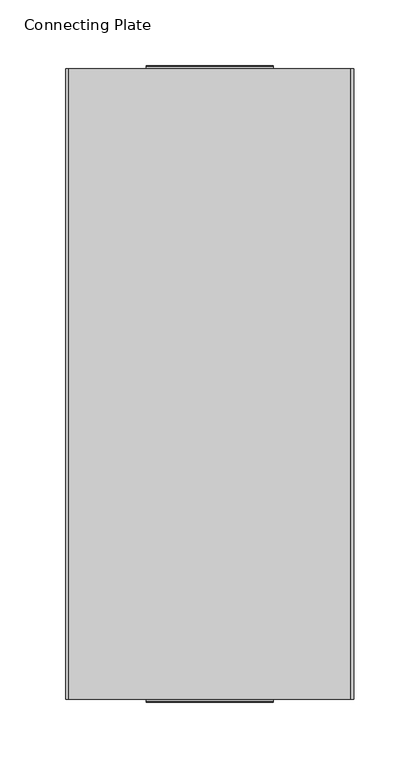
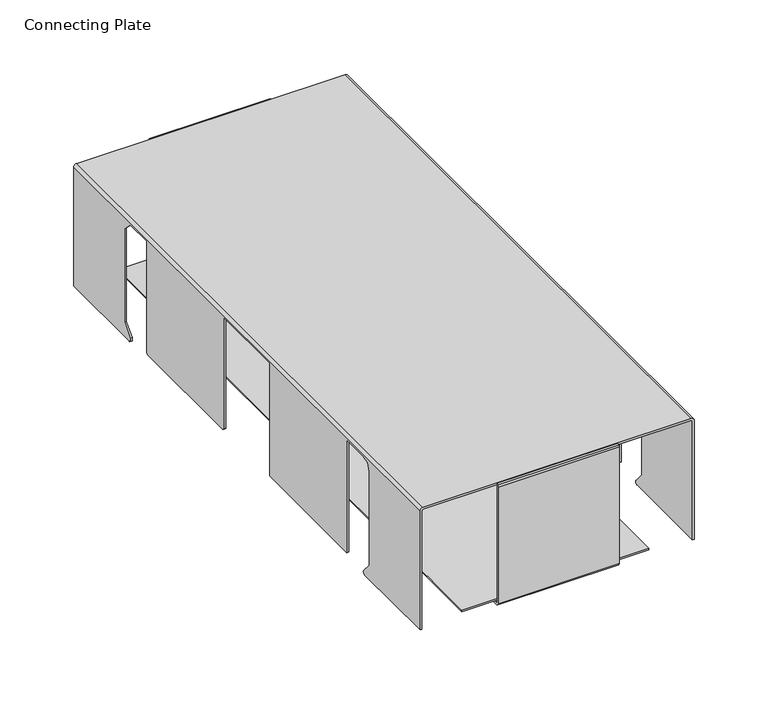
"""IFC4 building model written with IfcOpenShell, lengths in millimetres: furniture geometry, Connecting Plate."""

import ifcopenshell
import ifcopenshell.guid

model = None  # the IFC model being written
_history = None  # IfcOwnerHistory: only IFC2X3 demands one
_inside = {}  # id of a spatial element -> (the spatial element, [elements in it])
_under = {}  # id of a project, library or spatial element -> (it, [spatial elements below it])
_declared = {}  # id of a project -> (the project, [libraries it declares])
_typed = {}  # id of a type object -> (the type object, [elements of that type])
_made_of = {}  # id of a material, layer set ... -> (it, [elements and type objects made of it])


def new_model(schema):
    """Start an empty IFC model of exactly this schema.

    Asked for "IFC4X3", IfcOpenShell would pick the latest addendum, in which some entities
    have other attributes; the version numbers below select the first issue.
    IFC2X3 requires an IfcOwnerHistory on every rooted entity: one is made here for all.
    """
    global model, _history
    if schema == "IFC4X3":
        model = ifcopenshell.file(schema_version=(4, 3, 0, 0))
    else:
        model = ifcopenshell.file(schema=schema)
    _inside.clear()
    _under.clear()
    _declared.clear()
    _typed.clear()
    _made_of.clear()
    _history = None
    if model.schema == "IFC2X3":
        org = make("IfcOrganization", Name="unknown")
        user = make(
            "IfcPersonAndOrganization",
            ThePerson=make("IfcPerson", FamilyName="unknown"),
            TheOrganization=org,
        )
        app = make(
            "IfcApplication",
            ApplicationDeveloper=org,
            Version="unknown",
            ApplicationFullName="unknown",
            ApplicationIdentifier="unknown",
        )
        _history = make(
            "IfcOwnerHistory",
            OwningUser=user,
            OwningApplication=app,
            ChangeAction="ADDED",
            CreationDate=0,
        )
    return model


def make(cls, **values):
    """One entity of the class cls with the attributes given. An attribute that is None is left unset."""
    return model.create_entity(
        cls, **{name: value for name, value in values.items() if value is not None}
    )


def rooted(cls, **values):
    """An entity with a GlobalId (a new one), such as an element, a storey or a relation."""
    return make(cls, GlobalId=ifcopenshell.guid.new(), OwnerHistory=_history, **values)


def si_unit(unit_type, name, prefix=None):
    """IfcSIUnit, for example si_unit("LENGTHUNIT", "METRE", prefix="MILLI")."""
    return make("IfcSIUnit", UnitType=unit_type, Prefix=prefix, Name=name)


def assignment(units):
    """IfcUnitAssignment: the units of a project."""
    return None if units is None else make("IfcUnitAssignment", Units=units)


def point(xyz):
    """IfcCartesianPoint."""
    return None if xyz is None else make("IfcCartesianPoint", Coordinates=xyz)


def direction(xyz):
    """IfcDirection."""
    return None if xyz is None else make("IfcDirection", DirectionRatios=xyz)


def frame(location, z_axis=None, x_axis=None):
    """IfcAxis2Placement3D, a coordinate frame: its origin and axes. An axis left out is left unset."""
    return make(
        "IfcAxis2Placement3D",
        Location=point(location),
        Axis=direction(z_axis),
        RefDirection=direction(x_axis),
    )


def origin():
    """The frame at (0, 0, 0) with its axes left unset."""
    return frame((0.0, 0.0, 0.0))


def place(relative_to, where):
    """IfcLocalPlacement: puts the frame where relative to a parent placement (None: the world)."""
    return make(
        "IfcLocalPlacement", PlacementRelTo=relative_to, RelativePlacement=where
    )


def context(
    kind, dimensions, precision=None, world=None, true_north=None, identifier=None
):
    """IfcGeometricRepresentationContext, for example the 3D "Model" context."""
    return make(
        "IfcGeometricRepresentationContext",
        ContextIdentifier=identifier,
        ContextType=kind,
        CoordinateSpaceDimension=dimensions,
        Precision=precision,
        WorldCoordinateSystem=world,
        TrueNorth=true_north,
    )


def project(units=None, contexts=None):
    """IfcProject with its units and contexts."""
    return rooted(
        "IfcProject",
        Name="project",
        RepresentationContexts=contexts,
        UnitsInContext=assignment(units),
    )


def spatial(cls, under=None, at=None, **own):
    """A site, building, storey or space (cls), placed at a placement, below another one or the project."""
    s = rooted(cls, ObjectPlacement=at, **own)
    if under is not None:
        _under.setdefault(under.id(), (under, []))[1].append(s)
    return s


def polyline(points):
    """IfcPolyline through the points."""
    return make("IfcPolyline", Points=[point(p) for p in points])


def circle_curve(where, radius):
    """IfcCircle in the frame where."""
    return make("IfcCircle", Position=where, Radius=radius)


def outline(outer, holes=None, kind="AREA"):
    """IfcArbitraryClosedProfileDef: a profile drawn as a closed curve; with holes, ...WithVoids."""
    if holes is None:
        return make("IfcArbitraryClosedProfileDef", ProfileType=kind, OuterCurve=outer)
    return make(
        "IfcArbitraryProfileDefWithVoids",
        ProfileType=kind,
        OuterCurve=outer,
        InnerCurves=holes,
    )


def extrude(swept, where, along, depth):
    """IfcExtrudedAreaSolid: the profile swept, set in the frame where, extruded along a direction by depth."""
    return make(
        "IfcExtrudedAreaSolid",
        SweptArea=swept,
        Position=where,
        ExtrudedDirection=direction(along),
        Depth=depth,
    )


def shape(context_of_items, identifier, shape_type, items):
    """IfcShapeRepresentation: the items that make up one representation, for example the "Body"."""
    return make(
        "IfcShapeRepresentation",
        ContextOfItems=context_of_items,
        RepresentationIdentifier=identifier,
        RepresentationType=shape_type,
        Items=items,
    )


def source(mapping_origin, context_of_items, identifier, shape_type, items):
    """IfcRepresentationMap: a shape defined once, which mapped items show again and again."""
    return make(
        "IfcRepresentationMap",
        MappingOrigin=mapping_origin,
        MappedRepresentation=shape(context_of_items, identifier, shape_type, items),
    )


def transform(
    local_origin,
    x_axis=None,
    y_axis=None,
    z_axis=None,
    scale=None,
    scale2=None,
    scale3=None,
    uniform=True,
):
    """IfcCartesianTransformationOperator3D, or its non-uniform kind. x_axis, y_axis, z_axis: its Axis1, 2, 3."""
    if uniform:
        return make(
            "IfcCartesianTransformationOperator3D",
            Axis1=direction(x_axis),
            Axis2=direction(y_axis),
            LocalOrigin=point(local_origin),
            Scale=scale,
            Axis3=direction(z_axis),
        )
    return make(
        "IfcCartesianTransformationOperator3DnonUniform",
        Axis1=direction(x_axis),
        Axis2=direction(y_axis),
        LocalOrigin=point(local_origin),
        Scale=scale,
        Axis3=direction(z_axis),
        Scale2=scale2,
        Scale3=scale3,
    )


def mapped(mapping_source, mapping_target):
    """IfcMappedItem: shows the shape of a source again, moved by a transform."""
    return make(
        "IfcMappedItem", MappingSource=mapping_source, MappingTarget=mapping_target
    )


def made_of(thing, what):
    """Note that an element or type object is made of a material, layer set ...; save() writes the relation."""
    if what is not None:
        _made_of.setdefault(what.id(), (what, []))[1].append(thing)
    return thing


def element(
    cls,
    number,
    at=None,
    inside=None,
    cuts=None,
    type_object=None,
    material=None,
    context=None,
    identifier="Body",
    shape_type=None,
    held_by="IfcProductDefinitionShape",
    body=None,
    shapes=None,
    **own,
):
    """One element of the class cls, such as IfcWall. Its Tag is "e" and its number.

    at: its placement. inside: the storey or other place that contains it. cuts: it is an
    opening in that element (IfcRelVoidsElement). A single representation is given by context,
    identifier, shape_type and body (its items); several are given by shapes. held_by: the class
    of the entity that holds the representations. save() writes the other relations.
    """
    e = rooted(cls, Tag="e%d" % number, ObjectPlacement=at, **own)
    if body is not None:
        shapes = [shape(context, identifier, shape_type, body)]
    if shapes is not None:
        e.Representation = make(held_by, Representations=shapes)
    if inside is not None:
        _inside.setdefault(inside.id(), (inside, []))[1].append(e)
    if cuts is not None:
        rooted(
            "IfcRelVoidsElement", RelatingBuildingElement=cuts, RelatedOpeningElement=e
        )
    if type_object is not None:
        _typed.setdefault(type_object.id(), (type_object, []))[1].append(e)
    return made_of(e, material)


def aggregate(whole, parts):
    """IfcRelAggregates: a whole, such as a stair, and the parts it consists of."""
    return rooted("IfcRelAggregates", RelatingObject=whole, RelatedObjects=parts)


def save(model, path):
    """Write the relations noted so far, then the file.

    IfcRelAggregates (storeys below a building ...), IfcRelContainedInSpatialStructure (elements
    in a storey), IfcRelDefinesByType, IfcRelAssociatesMaterial and IfcRelDeclares: one each for
    every whole, place, type object, material and project.
    """
    for whole, parts in _under.values():
        aggregate(whole, parts)
    for where, things in _inside.values():
        rooted(
            "IfcRelContainedInSpatialStructure",
            RelatedElements=things,
            RelatingStructure=where,
        )
    for kind, things in _typed.values():
        rooted("IfcRelDefinesByType", RelatedObjects=things, RelatingType=kind)
    for what, things in _made_of.values():
        rooted("IfcRelAssociatesMaterial", RelatedObjects=things, RelatingMaterial=what)
    for by, libraries in _declared.values():
        rooted("IfcRelDeclares", RelatingContext=by, RelatedDefinitions=libraries)
    model.write(path)


def plane_surface(at):
    """IfcPlane: the flat surface through the origin of the frame at, square to its z axis."""
    return make("IfcPlane", Position=at)


def cylinder_surface(at, radius):
    """IfcCylindricalSurface: all points at the distance radius from the z axis of the frame at."""
    return make("IfcCylindricalSurface", Position=at, Radius=radius)


def revolved_surface(curve, axis_point, axis_direction):
    """IfcSurfaceOfRevolution: the curve turned about the line through axis_point along axis_direction."""
    return make(
        "IfcSurfaceOfRevolution",
        SweptCurve=make("IfcArbitraryOpenProfileDef", ProfileType="CURVE", Curve=curve),
        AxisPosition=make("IfcAxis1Placement", Location=point(axis_point), Axis=direction(axis_direction)),
    )


def advanced_brep(points, edges, surfaces, faces):
    """IfcAdvancedBrep: a solid bounded by faces that lie on surfaces and meet in shared edges.

    An edge is (start, end): straight between two places in points (the first is 0);
    or (start, end, curve); or (start, end, curve, False) where it runs against its curve.
    A face is (place in surfaces, loops), or (place, loops, False) where it looks against
    its surface's normal. A loop lists edges by number (the first is 1), with a minus sign
    where the edge is run from its end to its start. The first loop is the outer one.
    """
    corners = [point(p) for p in points]
    vertices = [make("IfcVertexPoint", VertexGeometry=c) for c in corners]
    made = []
    for start, end, *more in edges:
        made.append(
            make(
                "IfcEdgeCurve",
                EdgeStart=vertices[start],
                EdgeEnd=vertices[end],
                EdgeGeometry=more[0] if more else make("IfcPolyline", Points=[corners[start], corners[end]]),
                SameSense=more[1] if len(more) > 1 else True,
            )
        )
    hull = []
    for where, loops, *sense in faces:
        bounds = []
        for j, loop in enumerate(loops):
            ring = [make("IfcOrientedEdge", EdgeElement=made[abs(k) - 1], Orientation=k > 0) for k in loop]
            bounds.append(
                make(
                    "IfcFaceOuterBound" if j == 0 else "IfcFaceBound",
                    Bound=make("IfcEdgeLoop", EdgeList=ring),
                    Orientation=True,
                )
            )
        hull.append(make("IfcAdvancedFace", Bounds=bounds, FaceSurface=surfaces[where], SameSense=sense[0] if sense else True))
    return make("IfcAdvancedBrep", Outer=make("IfcClosedShell", CfsFaces=hull))


def connecting_plate_5ed4a315(model_context):
    return source(origin(), model_context, "Body", "SolidModel", [
        extrude(outline(polyline([(87.5503065, -237.2944003), (-62.1496721, -237.2944003), (-62.1496721, 238.9454441), (87.5503065, 238.9454441), (87.5503065, 136.1948027), (69.9824367, 136.1948027), (69.9824367, -136.1948027), (87.5503065, -136.1948027), (87.5503065, -237.2944003)])), frame((0.0, 0.0, 336.3721281), z_axis=(0.0, 0.0, 1.0), x_axis=(1.0, 0.0, 0.0)), (0.0, 0.0, 1.0), 1.2141337),
        advanced_brep(
        [(-95.5036818, -240.0807854, 334.8532165), (-95.5036818, -240.0807854, 435.2311689), (-94.2816222, -240.0807854, 436.4532286), (120.2062052, -240.0807854, 436.4532286), (120.9043207, -240.0807854, 435.755113), (120.9043207, -240.0807854, 334.8532165), (122.4232414, -240.0807854, 334.8532165), (122.4232414, -240.0807854, 435.7041493), (120.1552506, -240.0807854, 437.9721402), (-94.8090399, -240.0807854, 437.9721402), (-97.0226026, -240.0807854, 435.7585776), (-97.0226026, -240.0807854, 334.8532165), (-95.5036818, 240.0808218, 334.8532165), (-97.0226026, 240.0808218, 334.8532165), (-97.0226026, 240.0808218, 435.7585776), (-94.8090399, 240.0808218, 437.9721402), (120.1552506, 240.0808218, 437.9721402), (122.4232414, 240.0808218, 435.7041493), (122.4232414, 240.0808218, 334.8532165), (120.9043207, 240.0808218, 334.8532165), (120.9043207, 240.0808218, 435.755113), (120.2062052, 240.0808218, 436.4532286), (-94.2816222, 240.0808218, 436.4532286), (-95.5036818, 240.0808218, 435.2311689), (-95.5036818, -163.5637625, 334.8532165), (-95.5036818, -162.0648055, 338.1021662), (-95.5036818, -169.7054117, 347.0589395), (-95.5036818, -169.7054117, 426.2735447), (-95.5036818, -167.3196743, 432.0332222), (-95.5036818, -161.560015, 434.4189777), (-95.5036818, -138.7006908, 434.4189777), (-95.5036818, -138.7006908, 338.9172126), (-95.5036818, -31.5467814, 338.9172126), (-95.5036818, -31.5467814, 434.4212305), (-95.5036818, 31.9532186, 434.4212305), (-95.5036818, 31.9532186, 340.1872295), (-95.5036818, 33.2232174, 338.9172126), (-95.5036818, 137.4307284, 338.9172126), (-95.5036818, 138.7007272, 340.1872295), (-95.5036818, 138.7007272, 434.4189777), (-95.5036818, 161.5600513, 434.4189777), (-95.5036818, 169.7054481, 426.2735447), (-95.5036818, 169.7054481, 347.0589395), (-95.5036818, 161.889972, 338.0682627), (-95.5036818, 163.3551529, 334.8532165), (120.9043207, 163.3551529, 334.8532165), (120.9043207, 161.889972, 338.0682627), (120.9043207, 169.7054481, 347.0589395), (120.9043207, 169.7054481, 426.2735447), (120.9043207, 161.5600513, 434.4189777), (120.9043207, 138.7007272, 434.4189777), (120.9043207, 138.7007272, 340.1872295), (120.9043207, 137.4307284, 338.9172126), (120.9043207, 136.1948027, 338.9172126), (120.9043207, 136.1948027, 339.67923), (120.9043207, 32.4612108, 339.67923), (120.9043207, 31.9532186, 340.1872295), (120.9043207, 31.9532186, 434.4212305), (120.9043207, 25.7810004, 434.4212305), (120.9043207, -25.7810004, 434.4212305), (120.9043207, -31.5467814, 434.4212305), (120.9043207, -31.5467814, 339.67923), (120.9043207, -136.1948027, 339.67923), (120.9043207, -136.1948027, 338.9172126), (120.9043207, -138.7006908, 338.9172126), (120.9043207, -138.7006908, 434.4189777), (120.9043207, -161.560015, 434.4189777), (120.9043207, -167.3196743, 432.0332222), (120.9043207, -169.7054117, 426.2735447), (120.9043207, -169.7054117, 347.0589395), (120.9043207, -162.0648055, 338.1021662), (120.9043207, -163.5637625, 334.8532165), (122.4232414, -163.5637625, 334.8532165), (122.4232414, 163.3551529, 334.8532165), (122.4232414, -162.0648055, 338.1021662), (122.4232414, -169.7054117, 347.0589395), (122.4232414, -169.7054117, 426.2735447), (122.4232414, -167.3196743, 432.0332222), (122.4232414, -161.560015, 434.4189777), (122.4232414, -138.7006908, 434.4189777), (122.4232414, -138.7006908, 338.9172126), (122.4232414, -136.1948027, 338.9172126), (122.4232414, -136.1948027, 339.67923), (122.4232414, -31.5467814, 339.67923), (122.4232414, -31.5467814, 434.4212305), (122.4232414, -25.7810004, 434.4212305), (122.4232414, 25.7810004, 434.4212305), (122.4232414, 31.9532186, 434.4212305), (122.4232414, 31.9532186, 340.1872295), (122.4232414, 32.4612108, 339.67923), (122.4232414, 136.1948027, 339.67923), (122.4232414, 136.1948027, 338.9172126), (122.4232414, 137.4307284, 338.9172126), (122.4232414, 138.7007272, 340.1872295), (122.4232414, 138.7007272, 434.4189777), (122.4232414, 161.5600513, 434.4189777), (122.4232414, 169.7054481, 426.2735447), (122.4232414, 169.7054481, 347.0589395), (122.4232414, 161.889972, 338.0682627), (-97.0226026, 163.3551529, 334.8532165), (-97.0226026, 161.889972, 338.0682627), (-97.0226026, 169.7054481, 347.0589395), (-97.0226026, 169.7054481, 426.2735447), (-97.0226026, 161.5600513, 434.4189777), (-97.0226026, 138.7007272, 434.4189777), (-97.0226026, 138.7007272, 340.1872295), (-97.0226026, 137.4307284, 338.9172126), (-97.0226026, 33.2232174, 338.9172126), (-97.0226026, 31.9532186, 340.1872295), (-97.0226026, 31.9532186, 434.4212305), (-97.0226026, -31.5467814, 434.4212305), (-97.0226026, -31.5467814, 338.9172126), (-97.0226026, -138.7006908, 338.9172126), (-97.0226026, -138.7006908, 434.4189777), (-97.0226026, -161.560015, 434.4189777), (-97.0226026, -167.3196743, 432.0332222), (-97.0226026, -169.7054117, 426.2735447), (-97.0226026, -169.7054117, 347.0589395), (-97.0226026, -162.0648055, 338.1021662), (-97.0226026, -163.5637625, 334.8532165)],
        [
            (0, 1),
            (1, 2, circle_curve(frame((-94.2816222, -240.0807854, 435.2311689), z_axis=(0.0, 1.0, 0.0), x_axis=(1.0, 0.0, 0.0)), 1.2220596)),
            (2, 3),
            (3, 4, circle_curve(frame((120.2062052, -240.0807854, 435.755113), z_axis=(0.0, 1.0, 0.0), x_axis=(1.0, 0.0, 0.0)), 0.6981156)),
            (4, 5),
            (5, 6),
            (6, 7),
            (7, 8, circle_curve(frame((120.1552506, -240.0807854, 435.7041493), z_axis=(0.0, -1.0, 0.0), x_axis=(1.0, 0.0, 0.0)), 2.2679909)),
            (8, 9),
            (9, 10, circle_curve(frame((-94.8090399, -240.0807854, 435.7585776), z_axis=(0.0, -1.0, 0.0), x_axis=(1.0, 0.0, 0.0)), 2.2135626)),
            (10, 11),
            (11, 0),
            (12, 13),
            (13, 14),
            (14, 15, circle_curve(frame((-94.8090399, 240.0808218, 435.7585776), z_axis=(0.0, 1.0, 0.0), x_axis=(1.0, 0.0, 0.0)), 2.2135626)),
            (15, 16),
            (16, 17, circle_curve(frame((120.1552506, 240.0808218, 435.7041493), z_axis=(0.0, 1.0, 0.0), x_axis=(1.0, 0.0, 0.0)), 2.2679909)),
            (17, 18),
            (18, 19),
            (19, 20),
            (20, 21, circle_curve(frame((120.2062052, 240.0808218, 435.755113), z_axis=(0.0, -1.0, 0.0), x_axis=(1.0, 0.0, 0.0)), 0.6981156)),
            (21, 22),
            (22, 23, circle_curve(frame((-94.2816222, 240.0808218, 435.2311689), z_axis=(0.0, -1.0, 0.0), x_axis=(1.0, 0.0, 0.0)), 1.2220596)),
            (23, 12),
            (0, 24),
            (24, 25, circle_curve(frame((-95.5036818, -163.5637625, 336.8234757), z_axis=(1.0, 0.0, 0.0), x_axis=(0.0, -1.0, 0.0)), 1.9702593)),
            (25, 26),
            (26, 27),
            (27, 28),
            (28, 29),
            (29, 30),
            (30, 31),
            (31, 32),
            (32, 33),
            (33, 34),
            (34, 35),
            (35, 36),
            (36, 37),
            (37, 38),
            (38, 39),
            (39, 40),
            (40, 41),
            (41, 42),
            (42, 43),
            (43, 44, circle_curve(frame((-95.5036818, 163.3551529, 336.7946003), z_axis=(1.0, 0.0, 0.0), x_axis=(0.0, -1.0, 0.0)), 1.9413838)),
            (44, 12),
            (23, 1),
            (22, 2),
            (21, 3),
            (20, 4),
            (19, 45),
            (45, 46, circle_curve(frame((120.9043207, 163.3551529, 336.7946003), z_axis=(-1.0, 0.0, 0.0), x_axis=(0.0, -1.0, 0.0)), 1.9413838)),
            (46, 47),
            (47, 48),
            (48, 49),
            (49, 50),
            (50, 51),
            (51, 52),
            (52, 53),
            (53, 54),
            (54, 55),
            (55, 56),
            (56, 57),
            (57, 58),
            (58, 59),
            (59, 60),
            (60, 61),
            (61, 62),
            (62, 63),
            (63, 64),
            (64, 65),
            (65, 66),
            (66, 67),
            (67, 68),
            (68, 69),
            (69, 70),
            (70, 71, circle_curve(frame((120.9043207, -163.5637625, 336.8234757), z_axis=(-1.0, 0.0, 0.0), x_axis=(0.0, -1.0, 0.0)), 1.9702593)),
            (71, 5),
            (71, 72),
            (72, 6),
            (18, 73),
            (73, 45),
            (72, 74, circle_curve(frame((122.4232414, -163.5637625, 336.8234757), z_axis=(1.0, 0.0, 0.0), x_axis=(0.0, -1.0, 0.0)), 1.9702593)),
            (74, 75),
            (75, 76),
            (76, 77),
            (77, 78),
            (78, 79),
            (79, 80),
            (80, 81),
            (81, 82),
            (82, 83),
            (83, 84),
            (84, 85),
            (85, 86),
            (86, 87),
            (87, 88),
            (88, 89),
            (89, 90),
            (90, 91),
            (91, 92),
            (92, 93),
            (93, 94),
            (94, 95),
            (95, 96),
            (96, 97),
            (97, 98),
            (98, 73, circle_curve(frame((122.4232414, 163.3551529, 336.7946003), z_axis=(1.0, 0.0, 0.0), x_axis=(0.0, -1.0, 0.0)), 1.9413838)),
            (17, 7),
            (16, 8),
            (15, 9),
            (14, 10),
            (13, 99),
            (99, 100, circle_curve(frame((-97.0226026, 163.3551529, 336.7946003), z_axis=(-1.0, 0.0, 0.0), x_axis=(0.0, -1.0, 0.0)), 1.9413838)),
            (100, 101),
            (101, 102),
            (102, 103),
            (103, 104),
            (104, 105),
            (105, 106),
            (106, 107),
            (107, 108),
            (108, 109),
            (109, 110),
            (110, 111),
            (111, 112),
            (112, 113),
            (113, 114),
            (114, 115),
            (115, 116),
            (116, 117),
            (117, 118),
            (118, 119, circle_curve(frame((-97.0226026, -163.5637625, 336.8234757), z_axis=(-1.0, 0.0, 0.0), x_axis=(0.0, -1.0, 0.0)), 1.9702593)),
            (119, 11),
            (119, 24),
            (44, 99),
            (47, 97),
            (96, 48),
            (95, 49),
            (94, 50),
            (93, 51),
            (92, 52),
            (91, 53),
            (88, 56),
            (55, 89),
            (87, 57),
            (84, 60),
            (83, 61),
            (80, 64),
            (63, 81),
            (79, 65),
            (78, 66),
            (77, 67),
            (76, 68),
            (75, 69),
            (74, 70),
            (98, 46),
            (41, 102),
            (101, 42),
            (40, 103),
            (39, 104),
            (38, 105),
            (37, 106),
            (36, 107),
            (35, 108),
            (34, 109),
            (33, 110),
            (32, 111),
            (31, 112),
            (30, 113),
            (29, 114),
            (28, 115),
            (27, 116),
            (26, 117),
            (25, 118),
            (43, 100),
            (82, 62),
            (90, 54),
        ],
        [
            plane_surface(frame((-95.5036818, -240.0807854, 435.6912111), z_axis=(0.0, -1.0, 0.0), x_axis=(0.0, 0.0, 1.0))),
            plane_surface(frame((-95.5036818, 240.0808218, 435.6912111), z_axis=(0.0, 1.0, 0.0), x_axis=(0.0, 0.0, -1.0))),
            plane_surface(frame((-95.5036818, -240.0807854, 334.8532165), z_axis=(1.0, 0.0, 0.0), x_axis=(0.0, 1.0, 0.0))),
            revolved_surface(polyline([(-93.0595626, 240.0808218, 435.2311689), (-93.0595626, -240.0807854, 435.2311689)]), (-94.2816222, 240.0808218, 435.2311689), (0.0, 1.0, 0.0)),
            plane_surface(frame((-94.2816222, -240.0807854, 436.4532286), z_axis=(0.0, 0.0, -1.0), x_axis=(0.0, 1.0, 0.0))),
            revolved_surface(polyline([(120.9043208, 240.0808218, 435.755113), (120.9043208, -240.0807854, 435.755113)]), (120.2062052, 240.0808218, 435.755113), (0.0, 1.0, 0.0)),
            plane_surface(frame((120.9043207, -240.0807854, 435.755113), z_axis=(-1.0, 0.0, 0.0), x_axis=(0.0, 1.0, 0.0))),
            plane_surface(frame((120.9043207, -240.0807854, 334.8532165), z_axis=(0.0, 0.0, -1.0), x_axis=(0.0, 1.0, 0.0))),
            plane_surface(frame((122.4232414, -240.0807854, 334.8532165), z_axis=(1.0, 0.0, 0.0), x_axis=(0.0, 1.0, 0.0))),
            cylinder_surface(frame((120.1552506, 240.0808218, 435.7041493), z_axis=(0.0, -1.0, 0.0), x_axis=(1.0, 0.0, 0.0)), 2.2679909),
            plane_surface(frame((120.1552506, -240.0807854, 437.9721402), z_axis=(0.0, 0.0, 1.0), x_axis=(0.0, 1.0, 0.0))),
            cylinder_surface(frame((-94.8090399, 240.0808218, 435.7585776), z_axis=(0.0, -1.0, 0.0), x_axis=(1.0, 0.0, 0.0)), 2.2135626),
            plane_surface(frame((-97.0226026, -240.0807854, 435.7585776), z_axis=(-1.0, 0.0, 0.0), x_axis=(0.0, 1.0, 0.0))),
            plane_surface(frame((-97.0226026, -240.0807854, 334.8532165), z_axis=(0.0, 0.0, -1.0), x_axis=(0.0, 1.0, 0.0))),
            plane_surface(frame((143.6347939, 169.7054481, 347.0589395), z_axis=(0.0, -1.0, 0.0), x_axis=(-1.0, 0.0, 0.0))),
            plane_surface(frame((143.6347939, 169.7054481, 426.2735447), z_axis=(0.0, -0.7071083583124882, -0.7071052040570892), x_axis=(-1.0, 0.0, 0.0))),
            plane_surface(frame((143.6347939, 161.5600513, 434.4189777), z_axis=(0.0, 0.0, -1.0), x_axis=(-1.0, 0.0, 0.0))),
            plane_surface(frame((143.6347939, 138.7007272, 434.4189777), z_axis=(0.0, 1.0, 0.0), x_axis=(-1.0, 0.0, 0.0))),
            plane_surface(frame((143.6347939, 138.7007272, 340.1872295), z_axis=(0.0, 0.70711183875893, -0.7071017235779905), x_axis=(-1.0, 0.0, 0.0))),
            plane_surface(frame((143.6347939, 137.4307284, 338.9172126), z_axis=(0.0, 0.0, -1.0), x_axis=(-1.0, 0.0, 0.0))),
            plane_surface(frame((143.6347939, 33.2232174, 338.9172126), z_axis=(0.0, -0.70711183875893, -0.7071017235779905), x_axis=(-1.0, 0.0, 0.0))),
            plane_surface(frame((143.6347939, 31.9532186, 340.1872295), z_axis=(0.0, -1.0, 0.0), x_axis=(-1.0, 0.0, 0.0))),
            plane_surface(frame((143.6347939, 31.9532186, 434.4212305), z_axis=(0.0, 0.0, -1.0), x_axis=(-1.0, 0.0, 0.0))),
            plane_surface(frame((143.6347939, -31.5467814, 434.4212305), z_axis=(0.0, 1.0, 0.0), x_axis=(-1.0, 0.0, 0.0))),
            plane_surface(frame((143.6347939, -31.5467814, 338.9172126), z_axis=(0.0, 0.0, -1.0), x_axis=(-1.0, 0.0, 0.0))),
            plane_surface(frame((143.6347939, -138.7006908, 338.9172126), z_axis=(0.0, -1.0, 0.0), x_axis=(-1.0, 0.0, 0.0))),
            plane_surface(frame((143.6347939, -138.7006908, 434.4189777), z_axis=(0.0, 0.0, -1.0), x_axis=(-1.0, 0.0, 0.0))),
            plane_surface(frame((143.6347939, -161.560015, 434.4189777), z_axis=(0.0, 0.38268706421604287, -0.9238780281410022), x_axis=(-1.0, 0.0, 0.0))),
            plane_surface(frame((143.6347939, -167.3196743, 432.0332222), z_axis=(0.0, 0.9238794852265824, -0.3826835465204445), x_axis=(-1.0, 0.0, 0.0))),
            plane_surface(frame((143.6347939, -169.7054117, 426.2735447), z_axis=(0.0, 1.0, 0.0), x_axis=(-1.0, 0.0, 0.0))),
            plane_surface(frame((143.6347939, -169.7054117, 347.0589395), z_axis=(0.0, 0.7607917789736164, 0.6489960470189013), x_axis=(-1.0, 0.0, 0.0))),
            cylinder_surface(frame((106.0928203, -163.5637625, 336.8234757), z_axis=(-1.0, 0.0, 0.0), x_axis=(0.0, -1.0, 0.0)), 1.9702593),
            cylinder_surface(frame((106.0928203, 163.3551529, 336.7946003), z_axis=(-1.0, 0.0, 0.0), x_axis=(0.0, -1.0, 0.0)), 1.9413838),
            plane_surface(frame((143.6347939, 161.889972, 338.0682627), z_axis=(0.0, -0.7547095802227707, 0.6560590289905089), x_axis=(-1.0, 0.0, 0.0))),
            plane_surface(frame((-118.2341596, 169.7054481, 426.2735447), z_axis=(0.0, -1.0, 0.0), x_axis=(1.0, 0.0, 0.0))),
            plane_surface(frame((-118.2341596, 161.5600513, 434.4189777), z_axis=(0.0, -0.7071083583124882, -0.7071052040570892), x_axis=(1.0, 0.0, 0.0))),
            plane_surface(frame((-118.2341596, 138.7007272, 434.4189777), z_axis=(0.0, 0.0, -1.0), x_axis=(1.0, 0.0, 0.0))),
            plane_surface(frame((-118.2341596, 138.7007272, 340.1872295), z_axis=(0.0, 1.0, 0.0), x_axis=(1.0, 0.0, 0.0))),
            plane_surface(frame((-118.2341596, 137.4307284, 338.9172126), z_axis=(0.0, 0.70711183875893, -0.7071017235779905), x_axis=(1.0, 0.0, 0.0))),
            plane_surface(frame((-118.2341596, 33.2232174, 338.9172126), z_axis=(0.0, 0.0, -1.0), x_axis=(1.0, 0.0, 0.0))),
            plane_surface(frame((-118.2341596, 31.9532186, 340.1872295), z_axis=(0.0, -0.70711183875893, -0.7071017235779905), x_axis=(1.0, 0.0, 0.0))),
            plane_surface(frame((-118.2341596, 31.9532186, 434.4212305), z_axis=(0.0, -1.0, 0.0), x_axis=(1.0, 0.0, 0.0))),
            plane_surface(frame((-118.2341596, -31.5467814, 434.4212305), z_axis=(0.0, 0.0, -1.0), x_axis=(1.0, 0.0, 0.0))),
            plane_surface(frame((-118.2341596, -31.5467814, 338.9172126), z_axis=(0.0, 1.0, 0.0), x_axis=(1.0, 0.0, 0.0))),
            plane_surface(frame((-118.2341596, -138.7006908, 338.9172126), z_axis=(0.0, 0.0, -1.0), x_axis=(1.0, 0.0, 0.0))),
            plane_surface(frame((-118.2341596, -138.7006908, 434.4189777), z_axis=(0.0, -1.0, 0.0), x_axis=(1.0, 0.0, 0.0))),
            plane_surface(frame((-118.2341596, -161.560015, 434.4189777), z_axis=(0.0, 0.0, -1.0), x_axis=(1.0, 0.0, 0.0))),
            plane_surface(frame((-118.2341596, -167.3196743, 432.0332222), z_axis=(0.0, 0.38268706421604287, -0.9238780281410022), x_axis=(1.0, 0.0, 0.0))),
            plane_surface(frame((-118.2341596, -169.7054117, 426.2735447), z_axis=(0.0, 0.9238794852265824, -0.3826835465204445), x_axis=(1.0, 0.0, 0.0))),
            plane_surface(frame((-118.2341596, -169.7054117, 347.0589395), z_axis=(0.0, 1.0, 0.0), x_axis=(1.0, 0.0, 0.0))),
            plane_surface(frame((-118.2341596, -162.0648055, 338.1021662), z_axis=(0.0, 0.7607917789736164, 0.6489960470189013), x_axis=(1.0, 0.0, 0.0))),
            cylinder_surface(frame((-80.692186, -163.5637625, 336.8234757), z_axis=(1.0, 0.0, 0.0), x_axis=(0.0, -1.0, 0.0)), 1.9702593),
            cylinder_surface(frame((-80.692186, 163.3551529, 336.7946003), z_axis=(1.0, 0.0, 0.0), x_axis=(0.0, -1.0, 0.0)), 1.9413838),
            plane_surface(frame((-118.2341596, 169.7054481, 347.0589395), z_axis=(0.0, -0.7547095802227692, 0.6560590289905105), x_axis=(1.0, 0.0, 0.0))),
            plane_surface(frame((165.9428111, -25.7810004, 339.67923), z_axis=(0.0, 0.0, -1.0), x_axis=(-1.0, 0.0, 0.0))),
            plane_surface(frame((165.9428111, -136.1948027, 339.67923), z_axis=(0.0, 1.0, 0.0), x_axis=(-1.0, 0.0, 0.0))),
            plane_surface(frame((165.9428111, 136.1948027, 334.8532165), z_axis=(0.0, -1.0, 0.0), x_axis=(-1.0, 0.0, 0.0))),
            plane_surface(frame((165.9428111, 136.1948027, 339.67923), z_axis=(0.0, 0.0, -1.0), x_axis=(-1.0, 0.0, 0.0))),
        ],
        [
            (0, [[1, 2, 3, 4, 5, 6, 7, 8, 9, 10, 11, 12]]),
            (1, [[13, 14, 15, 16, 17, 18, 19, 20, 21, 22, 23, 24]]),
            (2, [[-1, 25, 26, 27, 28, 29, 30, 31, 32, 33, 34, 35, 36, 37, 38, 39, 40, 41, 42, 43, 44, 45, 46, -24, 47]]),
            (3, [[-2, -47, -23, 48]]),
            (4, [[-3, -48, -22, 49]]),
            (5, [[-4, -49, -21, 50]]),
            (6, [[-5, -50, -20, 51, 52, 53, 54, 55, 56, 57, 58, 59, 60, 61, 62, 63, 64, 65, 66, 67, 68, 69, 70, 71, 72, 73, 74, 75, 76, 77, 78]]),
            (7, [[-6, -78, 79, 80]]),
            (7, [[-19, 81, 82, -51]]),
            (8, [[-7, -80, 83, 84, 85, 86, 87, 88, 89, 90, 91, 92, 93, 94, 95, 96, 97, 98, 99, 100, 101, 102, 103, 104, 105, 106, 107, 108, -81, -18, 109]]),
            (9, [[-8, -109, -17, 110]]),
            (10, [[-9, -110, -16, 111]]),
            (11, [[-10, -111, -15, 112]]),
            (12, [[-11, -112, -14, 113, 114, 115, 116, 117, 118, 119, 120, 121, 122, 123, 124, 125, 126, 127, 128, 129, 130, 131, 132, 133, 134]]),
            (13, [[-12, -134, 135, -25]]),
            (13, [[-13, -46, 136, -113]]),
            (14, [[137, -106, 138, -54]]),
            (15, [[-138, -105, 139, -55]]),
            (16, [[-139, -104, 140, -56]]),
            (17, [[-140, -103, 141, -57]]),
            (18, [[-141, -102, 142, -58]]),
            (19, [[-142, -101, 143, -59]]),
            (20, [[144, -62, 145, -98]]),
            (21, [[-144, -97, 146, -63]]),
            (22, [[-146, -96, -95, -94, 147, -66, -65, -64]]),
            (23, [[-147, -93, 148, -67]]),
            (24, [[149, -70, 150, -90]]),
            (25, [[-149, -89, 151, -71]]),
            (26, [[-151, -88, 152, -72]]),
            (27, [[-152, -87, 153, -73]]),
            (28, [[-153, -86, 154, -74]]),
            (29, [[-154, -85, 155, -75]]),
            (30, [[-155, -84, 156, -76]]),
            (31, [[-156, -83, -79, -77]]),
            (32, [[157, -52, -82, -108]]),
            (33, [[-137, -53, -157, -107]]),
            (34, [[158, -116, 159, -43]]),
            (35, [[-158, -42, 160, -117]]),
            (36, [[-160, -41, 161, -118]]),
            (37, [[-161, -40, 162, -119]]),
            (38, [[-162, -39, 163, -120]]),
            (39, [[-163, -38, 164, -121]]),
            (40, [[-164, -37, 165, -122]]),
            (41, [[-165, -36, 166, -123]]),
            (42, [[-166, -35, 167, -124]]),
            (43, [[-167, -34, 168, -125]]),
            (44, [[-168, -33, 169, -126]]),
            (45, [[-169, -32, 170, -127]]),
            (46, [[-170, -31, 171, -128]]),
            (47, [[-171, -30, 172, -129]]),
            (48, [[-172, -29, 173, -130]]),
            (49, [[-173, -28, 174, -131]]),
            (50, [[-174, -27, 175, -132]]),
            (51, [[-175, -26, -135, -133]]),
            (52, [[176, -114, -136, -45]]),
            (53, [[-176, -44, -159, -115]]),
            (54, [[177, -68, -148, -92]]),
            (55, [[-177, -91, -150, -69]]),
            (56, [[178, -60, -143, -100]]),
            (57, [[-178, -99, -145, -61]]),
        ],
    ),
        extrude(outline(polyline([(242.3617327, 435.6912111), (242.3617327, 337.1341455), (241.6936775, 335.5212716), (240.0808218, 334.8532165), (216.9617387, 334.8532165), (216.9617387, 336.3721281), (240.0808218, 336.3721281), (240.842821, 337.1341455), (240.842821, 435.6912111), (240.0808218, 436.4532286), (240.0808218, 437.9721402), (241.6936775, 437.3040851), (242.3617327, 435.6912111)])), frame((-35.7781214, 0.0, 0.0), z_axis=(1.0, 0.0, 0.0), x_axis=(0.0, 1.0, 0.0)), (0.0, 0.0, 1.0), 96.9568771),
        extrude(outline(polyline([(-242.3616963, 435.6912111), (-241.6936412, 437.3040851), (-240.0807854, 437.9721402), (-240.0807854, 436.4532286), (-240.8427847, 435.6912111), (-240.8427847, 337.1341455), (-240.0807854, 336.3721281), (-216.9617024, 336.3721281), (-216.9617024, 334.8532165), (-240.0807854, 334.8532165), (-241.6936412, 335.5212716), (-242.3616963, 337.1341455), (-242.3616963, 435.6912111)])), frame((-35.7781214, 0.0, 0.0), z_axis=(1.0, 0.0, 0.0), x_axis=(0.0, 1.0, 0.0)), (0.0, 0.0, 1.0), 96.9568771),
    ])


if __name__ == "__main__":
    model = new_model("IFC4")
    model_context = context("Model", 3, world=origin())
    ifc_project = project(units=[si_unit("LENGTHUNIT", "METRE", prefix="MILLI")], contexts=[model_context])
    site = spatial("IfcSite", under=ifc_project)
    building = spatial("IfcBuilding", under=site)
    placement = place(None, origin())
    connecting_plate_shape = connecting_plate_5ed4a315(model_context)
    element("IfcFurniture", 1, ObjectType="Connecting Plate", at=placement, inside=building, context=model_context, shape_type="MappedRepresentation", body=[
        mapped(connecting_plate_shape, transform((0.0, 0.0, 0.0), x_axis=(1.0, 0.0, 0.0), y_axis=(0.0, 1.0, 0.0), z_axis=(0.0, 0.0, 1.0))),
    ])
    save(model, "model.ifc")
